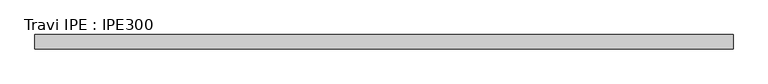
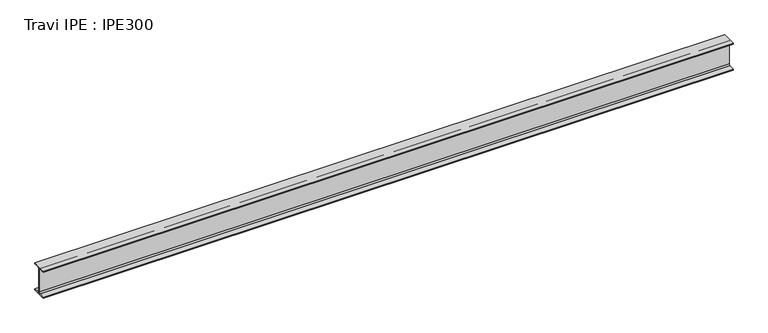
"""IFC4 building model written with IfcOpenShell, lengths in millimetres: beam geometry, Travi IPE : IPE300."""

from ifc_helpers import new_model, si_unit, point, frame, frame_2d, origin, place, context, project, spatial, polyline, circle_curve, trimmed, segment, composite_curve, outline, extrude, source, transform, mapped, element, save


def travi_ipe_ipe300_8331a2d5(model_context):
    return source(origin(), model_context, "Body", "SweptSolid", [
        extrude(outline(composite_curve([segment(polyline([(75.0, -139.3), (75.0, -150.0), (-75.0, -150.0), (-75.0, -139.3), (-18.55, -139.3)]), True, "CONTINUOUS"), segment(trimmed(circle_curve(frame_2d((-18.55, -124.3)), 15.0), [point((-18.55, -139.3))], [point((-3.55, -124.3))], True, "CARTESIAN"), True, "CONTINUOUS"), segment(polyline([(-3.55, -124.3), (-3.55, 124.3)]), True, "CONTINUOUS"), segment(trimmed(circle_curve(frame_2d((-18.55, 124.3)), 15.0), [point((-3.55, 124.3))], [point((-18.55, 139.3))], True, "CARTESIAN"), True, "CONTINUOUS"), segment(polyline([(-18.55, 139.3), (-75.0, 139.3), (-75.0, 150.0), (75.0, 150.0), (75.0, 139.3), (18.55, 139.3)]), True, "CONTINUOUS"), segment(trimmed(circle_curve(frame_2d((18.55, 124.3)), 15.0), [point((18.55, 139.3))], [point((3.55, 124.3))], True, "CARTESIAN"), True, "CONTINUOUS"), segment(polyline([(3.55, 124.3), (3.55, -124.3)]), True, "CONTINUOUS"), segment(trimmed(circle_curve(frame_2d((18.55, -124.3)), 15.0), [point((3.55, -124.3))], [point((18.55, -139.3))], True, "CARTESIAN"), True, "CONTINUOUS"), segment(polyline([(18.55, -139.3), (75.0, -139.3)]), True, "CONTINUOUS")], self_intersect=False)), frame((-3617.0, 0.0, 0.0), z_axis=(1.0, 0.0, 0.0), x_axis=(0.0, 1.0, 0.0)), (0.0, 0.0, 1.0), 7267.0),
    ])


if __name__ == "__main__":
    model = new_model("IFC4")
    model_context = context("Model", 3, world=origin())
    ifc_project = project(units=[si_unit("LENGTHUNIT", "METRE", prefix="MILLI")], contexts=[model_context])
    site = spatial("IfcSite", under=ifc_project)
    building = spatial("IfcBuilding", under=site)
    placement = place(None, origin())
    travi_ipe_ipe300_shape = travi_ipe_ipe300_8331a2d5(model_context)
    element("IfcBeam", 1, ObjectType="Travi IPE : IPE300", at=placement, inside=building, context=model_context, shape_type="MappedRepresentation", body=[
        mapped(travi_ipe_ipe300_shape, transform((0.0, 0.0, 0.0), x_axis=(1.0, 0.0, 0.0), y_axis=(0.0, 1.0, 0.0), z_axis=(0.0, 0.0, 1.0))),
    ])
    save(model, "model.ifc")
